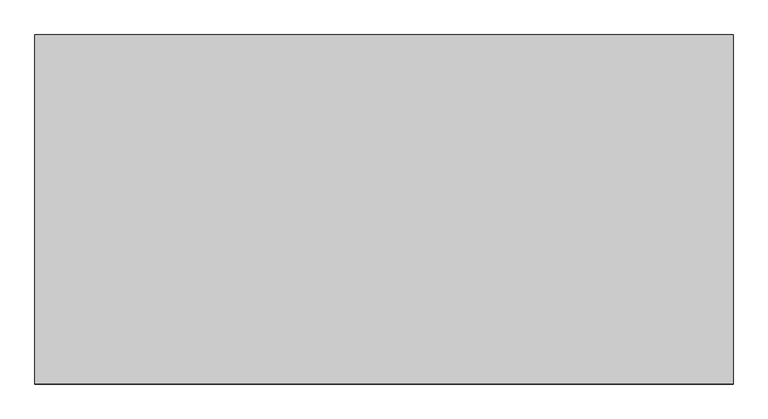
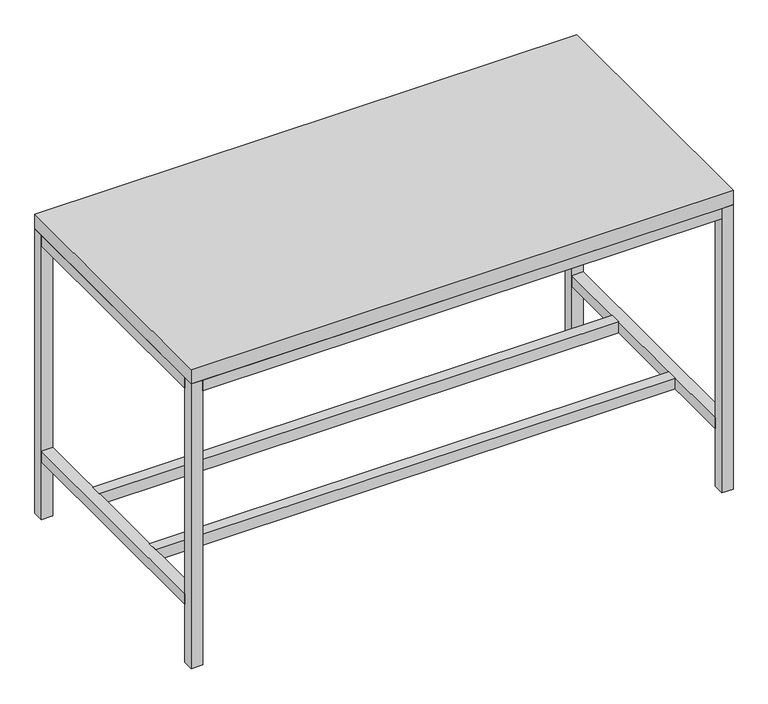
"""IFC4 building model written with IfcOpenShell, lengths in millimetres: furniture geometry."""

from ifc_helpers import new_model, si_unit, frame, origin, origin_with_axes, place, context, project, spatial, polyline, outline, extrude, source, transform, mapped, element, save


def furniture_14440861(model_context):
    return source(origin(), model_context, "Body", "SweptSolid", [
        extrude(outline(polyline([(6642.1, 445.5973297), (6642.1, -468.8026703), (4813.3, -468.8026703), (4813.3, 445.5973297), (6642.1, 445.5973297)])), frame((0.0, 0.0, 1016.0), z_axis=(0.0, 0.0, 1.0), x_axis=(1.0, 0.0, 0.0)), (0.0, 0.0, 1.0), 50.8),
        extrude(outline(polyline([(6604.0, 172.5473297), (6604.0, 134.4473297), (4851.4, 134.4473297), (4851.4, 172.5473297), (6604.0, 172.5473297)])), frame((0.0, 0.0, 206.375), z_axis=(0.0, 0.0, 1.0), x_axis=(1.0, 0.0, 0.0)), (0.0, 0.0, 1.0), 38.1),
        extrude(outline(polyline([(6604.0, -157.6527578), (6604.0, -195.7527578), (4851.4, -195.7527578), (4851.4, -157.6527578), (6604.0, -157.6527578)])), frame((0.0, 0.0, 206.375), z_axis=(0.0, 0.0, 1.0), x_axis=(1.0, 0.0, 0.0)), (0.0, 0.0, 1.0), 38.1),
        extrude(outline(polyline([(6604.0, 407.4973297), (4851.4, 407.4973297), (4851.4, 445.5973297), (6604.0, 445.5973297), (6604.0, 407.4973297)])), frame((0.0, 0.0, 977.9), z_axis=(0.0, 0.0, 1.0), x_axis=(1.0, 0.0, 0.0)), (0.0, 0.0, 1.0), 38.1),
        extrude(outline(polyline([(4851.4, -468.8026703), (4851.4, -430.7027578), (6604.0, -430.7027578), (6604.0, -468.8026703), (4851.4, -468.8026703)])), frame((0.0, 0.0, 977.9), z_axis=(0.0, 0.0, 1.0), x_axis=(1.0, 0.0, 0.0)), (0.0, 0.0, 1.0), 38.1),
        extrude(outline(polyline([(6604.0, -430.7027578), (6604.0, 407.4973297), (6642.1, 407.4973297), (6642.1, -430.7027578), (6604.0, -430.7027578)])), frame((0.0, 0.0, 977.9), z_axis=(0.0, 0.0, 1.0), x_axis=(1.0, 0.0, 0.0)), (0.0, 0.0, 1.0), 38.1),
        extrude(outline(polyline([(6604.0, -430.7027578), (6604.0, 407.4973297), (6642.1, 407.4973297), (6642.1, -430.7027578), (6604.0, -430.7027578)])), frame((0.0, 0.0, 206.375), z_axis=(0.0, 0.0, 1.0), x_axis=(1.0, 0.0, 0.0)), (0.0, 0.0, 1.0), 38.1),
        extrude(outline(polyline([(4813.3, -430.7027578), (4813.3, 407.4973297), (4851.4, 407.4973297), (4851.4, -430.7027578), (4813.3, -430.7027578)])), frame((0.0, 0.0, 206.375), z_axis=(0.0, 0.0, 1.0), x_axis=(1.0, 0.0, 0.0)), (0.0, 0.0, 1.0), 38.1),
        extrude(outline(polyline([(4813.3, -430.7027578), (4813.3, 407.4973297), (4851.4, 407.4973297), (4851.4, -430.7027578), (4813.3, -430.7027578)])), frame((0.0, 0.0, 977.9), z_axis=(0.0, 0.0, 1.0), x_axis=(1.0, 0.0, 0.0)), (0.0, 0.0, 1.0), 38.1),
        extrude(outline(polyline([(6642.1, 445.5973297), (6642.1, 407.4973297), (6604.0, 407.4973297), (6604.0, 445.5973297), (6642.1, 445.5973297)])), origin_with_axes(), (0.0, 0.0, 1.0), 1016.0),
        extrude(outline(polyline([(6642.1, -430.7027578), (6642.1, -468.8026703), (6604.0, -468.8026703), (6604.0, -430.7027578), (6642.1, -430.7027578)])), origin_with_axes(), (0.0, 0.0, 1.0), 1016.0),
        extrude(outline(polyline([(4851.4, -430.7027578), (4851.4, -468.8026703), (4813.3, -468.8026703), (4813.3, -430.7027578), (4851.4, -430.7027578)])), origin_with_axes(), (0.0, 0.0, 1.0), 1016.0),
        extrude(outline(polyline([(4851.4, 445.5973297), (4851.4, 407.4973297), (4813.3, 407.4973297), (4813.3, 445.5973297), (4851.4, 445.5973297)])), origin_with_axes(), (0.0, 0.0, 1.0), 1016.0),
    ])


if __name__ == "__main__":
    model = new_model("IFC4")
    model_context = context("Model", 3, world=origin())
    ifc_project = project(units=[si_unit("LENGTHUNIT", "METRE", prefix="MILLI")], contexts=[model_context])
    site = spatial("IfcSite", under=ifc_project)
    building = spatial("IfcBuilding", under=site)
    placement = place(None, origin())
    furniture_shape = furniture_14440861(model_context)
    element("IfcFurniture", 1, at=placement, inside=building, context=model_context, shape_type="MappedRepresentation", body=[
        mapped(furniture_shape, transform((0.0, 0.0, 0.0), x_axis=(1.0, 0.0, 0.0), y_axis=(0.0, 1.0, 0.0), z_axis=(0.0, 0.0, 1.0))),
    ])
    save(model, "model.ifc")
